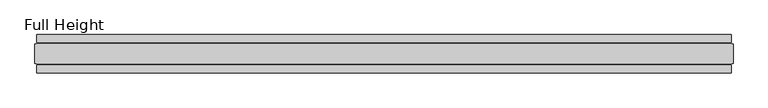
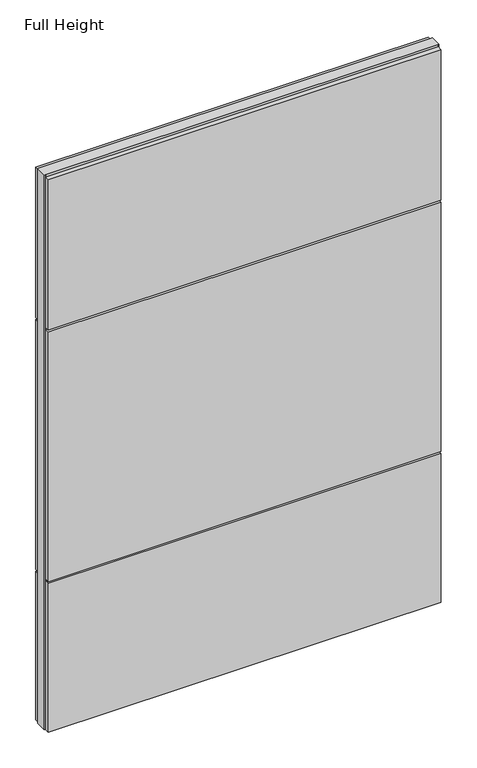
"""IFC4 building model written with IfcOpenShell, lengths in millimetres: plate geometry, Full Height."""

from ifc_helpers import new_model, si_unit, frame, origin, origin_with_axes, place, context, project, spatial, polyline, outline, extrude, source, transform, mapped, element, save


def full_height_09904f68(model_context):
    return source(origin(), model_context, "Body", "SweptSolid", [
        extrude(outline(polyline([(900.3026654, 28.956), (-900.3026654, 28.956), (-900.3026654, 49.53), (900.3026654, 49.53), (900.3026654, 28.956)])), frame((0.0, 0.0, 1949.196), z_axis=(0.0, 0.0, 1.0), x_axis=(1.0, 0.0, 0.0)), (0.0, 0.0, 1.0), 729.996),
        extrude(outline(polyline([(900.3026654, 28.956), (-900.3026654, 28.956), (-900.3026654, 49.53), (900.3026654, 49.53), (900.3026654, 28.956)])), frame((0.0, 0.0, 729.996), z_axis=(0.0, 0.0, 1.0), x_axis=(1.0, 0.0, 0.0)), (0.0, 0.0, 1.0), 1210.056),
        extrude(outline(polyline([(900.3026654, 28.956), (-900.3026654, 28.956), (-900.3026654, 49.53), (900.3026654, 49.53), (900.3026654, 28.956)])), origin_with_axes(), (0.0, 0.0, 1.0), 720.852),
        extrude(outline(polyline([(900.3026654, -28.956), (900.3026654, -49.53), (-900.3026654, -49.53), (-900.3026654, -28.956), (900.3026654, -28.956)])), frame((0.0, 0.0, 1949.196), z_axis=(0.0, 0.0, 1.0), x_axis=(1.0, 0.0, 0.0)), (0.0, 0.0, 1.0), 729.996),
        extrude(outline(polyline([(900.3026654, -28.956), (900.3026654, -49.53), (-900.3026654, -49.53), (-900.3026654, -28.956), (900.3026654, -28.956)])), frame((0.0, 0.0, 729.996), z_axis=(0.0, 0.0, 1.0), x_axis=(1.0, 0.0, 0.0)), (0.0, 0.0, 1.0), 1210.056),
        extrude(outline(polyline([(900.3026654, -28.956), (900.3026654, -49.53), (-900.3026654, -49.53), (-900.3026654, -28.956), (900.3026654, -28.956)])), origin_with_axes(), (0.0, 0.0, 1.0), 720.852),
        extrude(outline(polyline([(900.3026654, -25.146), (900.3026654, -26.67), (-900.3026654, -26.67), (-900.3026654, -25.146), (-904.8746654, -25.146), (-904.8746654, 25.146), (-900.3026654, 25.146), (-900.3026654, 26.67), (900.3026654, 26.67), (900.3026654, 25.146), (904.8746654, 25.146), (904.8746654, -25.146), (900.3026654, -25.146)])), origin_with_axes(), (0.0, 0.0, 1.0), 2688.336),
    ])


if __name__ == "__main__":
    model = new_model("IFC4")
    model_context = context("Model", 3, world=origin())
    ifc_project = project(units=[si_unit("LENGTHUNIT", "METRE", prefix="MILLI")], contexts=[model_context])
    site = spatial("IfcSite", under=ifc_project)
    building = spatial("IfcBuilding", under=site)
    placement = place(None, origin())
    full_height_shape = full_height_09904f68(model_context)
    element("IfcPlate", 1, ObjectType="Full Height", at=placement, inside=building, context=model_context, shape_type="MappedRepresentation", body=[
        mapped(full_height_shape, transform((0.0, 0.0, 0.0), x_axis=(1.0, 0.0, 0.0), y_axis=(0.0, 1.0, 0.0), z_axis=(0.0, 0.0, 1.0))),
    ])
    save(model, "model.ifc")
